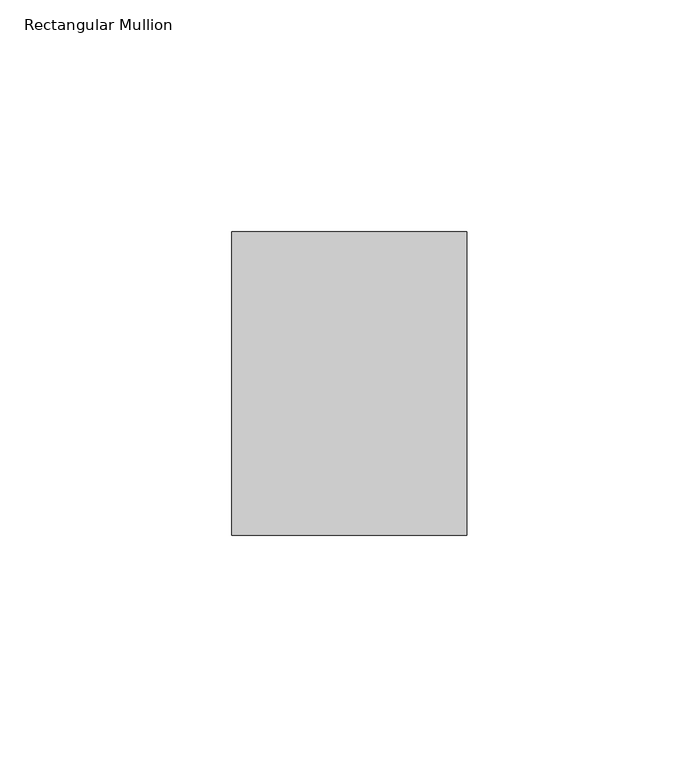
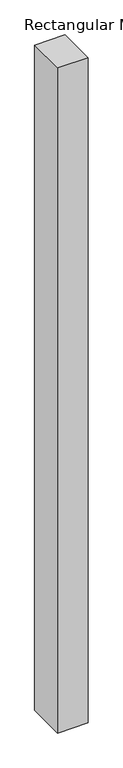
"""IFC4 building model written with IfcOpenShell, lengths in millimetres: member geometry, Rectangular Mullion."""

from ifc_helpers import new_model, si_unit, frame, origin, place, context, project, spatial, polyline, outline, extrude, source, transform, mapped, element, save


def rectangular_mullion_ec8fcb55(model_context):
    return source(origin(), model_context, "Body", "SweptSolid", [
        extrude(outline(polyline([(-25.4, 114.252375), (25.4, 114.252375), (25.4, 48.656875), (-25.4, 48.656875), (-25.4, 114.252375)])), frame((0.0, 0.0, -1168.4), z_axis=(0.0, 0.0, 1.0), x_axis=(1.0, 0.0, 0.0)), (0.0, 0.0, 1.0), 1168.4),
    ])


if __name__ == "__main__":
    model = new_model("IFC4")
    model_context = context("Model", 3, world=origin())
    ifc_project = project(units=[si_unit("LENGTHUNIT", "METRE", prefix="MILLI")], contexts=[model_context])
    site = spatial("IfcSite", under=ifc_project)
    building = spatial("IfcBuilding", under=site)
    placement = place(None, origin())
    rectangular_mullion_shape = rectangular_mullion_ec8fcb55(model_context)
    element("IfcMember", 1, ObjectType="Rectangular Mullion", at=placement, inside=building, context=model_context, shape_type="MappedRepresentation", body=[
        mapped(rectangular_mullion_shape, transform((0.0, 0.0, 0.0), x_axis=(1.0, 0.0, 0.0), y_axis=(0.0, 1.0, 0.0), z_axis=(0.0, 0.0, 1.0))),
    ])
    save(model, "model.ifc")
